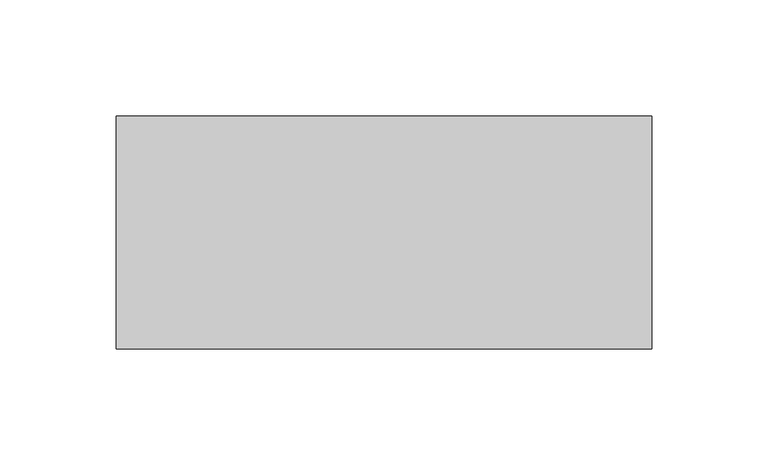
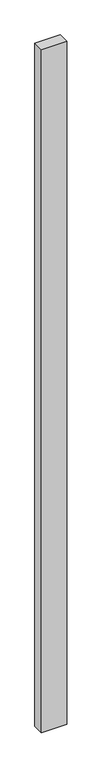
"""IFC4 building model written with IfcOpenShell, lengths in millimetres: proxy geometry."""

import ifcopenshell
import ifcopenshell.guid

model = None  # the IFC model being written
_history = None  # IfcOwnerHistory: only IFC2X3 demands one
_inside = {}  # id of a spatial element -> (the spatial element, [elements in it])
_under = {}  # id of a project, library or spatial element -> (it, [spatial elements below it])
_declared = {}  # id of a project -> (the project, [libraries it declares])
_typed = {}  # id of a type object -> (the type object, [elements of that type])
_made_of = {}  # id of a material, layer set ... -> (it, [elements and type objects made of it])


def new_model(schema):
    """Start an empty IFC model of exactly this schema.

    Asked for "IFC4X3", IfcOpenShell would pick the latest addendum, in which some entities
    have other attributes; the version numbers below select the first issue.
    IFC2X3 requires an IfcOwnerHistory on every rooted entity: one is made here for all.
    """
    global model, _history
    if schema == "IFC4X3":
        model = ifcopenshell.file(schema_version=(4, 3, 0, 0))
    else:
        model = ifcopenshell.file(schema=schema)
    _inside.clear()
    _under.clear()
    _declared.clear()
    _typed.clear()
    _made_of.clear()
    _history = None
    if model.schema == "IFC2X3":
        org = make("IfcOrganization", Name="unknown")
        user = make(
            "IfcPersonAndOrganization",
            ThePerson=make("IfcPerson", FamilyName="unknown"),
            TheOrganization=org,
        )
        app = make(
            "IfcApplication",
            ApplicationDeveloper=org,
            Version="unknown",
            ApplicationFullName="unknown",
            ApplicationIdentifier="unknown",
        )
        _history = make(
            "IfcOwnerHistory",
            OwningUser=user,
            OwningApplication=app,
            ChangeAction="ADDED",
            CreationDate=0,
        )
    return model


def make(cls, **values):
    """One entity of the class cls with the attributes given. An attribute that is None is left unset."""
    return model.create_entity(
        cls, **{name: value for name, value in values.items() if value is not None}
    )


def rooted(cls, **values):
    """An entity with a GlobalId (a new one), such as an element, a storey or a relation."""
    return make(cls, GlobalId=ifcopenshell.guid.new(), OwnerHistory=_history, **values)


def si_unit(unit_type, name, prefix=None):
    """IfcSIUnit, for example si_unit("LENGTHUNIT", "METRE", prefix="MILLI")."""
    return make("IfcSIUnit", UnitType=unit_type, Prefix=prefix, Name=name)


def assignment(units):
    """IfcUnitAssignment: the units of a project."""
    return None if units is None else make("IfcUnitAssignment", Units=units)


def point(xyz):
    """IfcCartesianPoint."""
    return None if xyz is None else make("IfcCartesianPoint", Coordinates=xyz)


def direction(xyz):
    """IfcDirection."""
    return None if xyz is None else make("IfcDirection", DirectionRatios=xyz)


def frame(location, z_axis=None, x_axis=None):
    """IfcAxis2Placement3D, a coordinate frame: its origin and axes. An axis left out is left unset."""
    return make(
        "IfcAxis2Placement3D",
        Location=point(location),
        Axis=direction(z_axis),
        RefDirection=direction(x_axis),
    )


def origin():
    """The frame at (0, 0, 0) with its axes left unset."""
    return frame((0.0, 0.0, 0.0))


def place(relative_to, where):
    """IfcLocalPlacement: puts the frame where relative to a parent placement (None: the world)."""
    return make(
        "IfcLocalPlacement", PlacementRelTo=relative_to, RelativePlacement=where
    )


def context(
    kind, dimensions, precision=None, world=None, true_north=None, identifier=None
):
    """IfcGeometricRepresentationContext, for example the 3D "Model" context."""
    return make(
        "IfcGeometricRepresentationContext",
        ContextIdentifier=identifier,
        ContextType=kind,
        CoordinateSpaceDimension=dimensions,
        Precision=precision,
        WorldCoordinateSystem=world,
        TrueNorth=true_north,
    )


def project(units=None, contexts=None):
    """IfcProject with its units and contexts."""
    return rooted(
        "IfcProject",
        Name="project",
        RepresentationContexts=contexts,
        UnitsInContext=assignment(units),
    )


def spatial(cls, under=None, at=None, **own):
    """A site, building, storey or space (cls), placed at a placement, below another one or the project."""
    s = rooted(cls, ObjectPlacement=at, **own)
    if under is not None:
        _under.setdefault(under.id(), (under, []))[1].append(s)
    return s


def polyline(points):
    """IfcPolyline through the points."""
    return make("IfcPolyline", Points=[point(p) for p in points])


def outline(outer, holes=None, kind="AREA"):
    """IfcArbitraryClosedProfileDef: a profile drawn as a closed curve; with holes, ...WithVoids."""
    if holes is None:
        return make("IfcArbitraryClosedProfileDef", ProfileType=kind, OuterCurve=outer)
    return make(
        "IfcArbitraryProfileDefWithVoids",
        ProfileType=kind,
        OuterCurve=outer,
        InnerCurves=holes,
    )


def extrude(swept, where, along, depth):
    """IfcExtrudedAreaSolid: the profile swept, set in the frame where, extruded along a direction by depth."""
    return make(
        "IfcExtrudedAreaSolid",
        SweptArea=swept,
        Position=where,
        ExtrudedDirection=direction(along),
        Depth=depth,
    )


def shape(context_of_items, identifier, shape_type, items):
    """IfcShapeRepresentation: the items that make up one representation, for example the "Body"."""
    return make(
        "IfcShapeRepresentation",
        ContextOfItems=context_of_items,
        RepresentationIdentifier=identifier,
        RepresentationType=shape_type,
        Items=items,
    )


def source(mapping_origin, context_of_items, identifier, shape_type, items):
    """IfcRepresentationMap: a shape defined once, which mapped items show again and again."""
    return make(
        "IfcRepresentationMap",
        MappingOrigin=mapping_origin,
        MappedRepresentation=shape(context_of_items, identifier, shape_type, items),
    )


def transform(
    local_origin,
    x_axis=None,
    y_axis=None,
    z_axis=None,
    scale=None,
    scale2=None,
    scale3=None,
    uniform=True,
):
    """IfcCartesianTransformationOperator3D, or its non-uniform kind. x_axis, y_axis, z_axis: its Axis1, 2, 3."""
    if uniform:
        return make(
            "IfcCartesianTransformationOperator3D",
            Axis1=direction(x_axis),
            Axis2=direction(y_axis),
            LocalOrigin=point(local_origin),
            Scale=scale,
            Axis3=direction(z_axis),
        )
    return make(
        "IfcCartesianTransformationOperator3DnonUniform",
        Axis1=direction(x_axis),
        Axis2=direction(y_axis),
        LocalOrigin=point(local_origin),
        Scale=scale,
        Axis3=direction(z_axis),
        Scale2=scale2,
        Scale3=scale3,
    )


def mapped(mapping_source, mapping_target):
    """IfcMappedItem: shows the shape of a source again, moved by a transform."""
    return make(
        "IfcMappedItem", MappingSource=mapping_source, MappingTarget=mapping_target
    )


def made_of(thing, what):
    """Note that an element or type object is made of a material, layer set ...; save() writes the relation."""
    if what is not None:
        _made_of.setdefault(what.id(), (what, []))[1].append(thing)
    return thing


def element(
    cls,
    number,
    at=None,
    inside=None,
    cuts=None,
    type_object=None,
    material=None,
    context=None,
    identifier="Body",
    shape_type=None,
    held_by="IfcProductDefinitionShape",
    body=None,
    shapes=None,
    **own,
):
    """One element of the class cls, such as IfcWall. Its Tag is "e" and its number.

    at: its placement. inside: the storey or other place that contains it. cuts: it is an
    opening in that element (IfcRelVoidsElement). A single representation is given by context,
    identifier, shape_type and body (its items); several are given by shapes. held_by: the class
    of the entity that holds the representations. save() writes the other relations.
    """
    e = rooted(cls, Tag="e%d" % number, ObjectPlacement=at, **own)
    if body is not None:
        shapes = [shape(context, identifier, shape_type, body)]
    if shapes is not None:
        e.Representation = make(held_by, Representations=shapes)
    if inside is not None:
        _inside.setdefault(inside.id(), (inside, []))[1].append(e)
    if cuts is not None:
        rooted(
            "IfcRelVoidsElement", RelatingBuildingElement=cuts, RelatedOpeningElement=e
        )
    if type_object is not None:
        _typed.setdefault(type_object.id(), (type_object, []))[1].append(e)
    return made_of(e, material)


def aggregate(whole, parts):
    """IfcRelAggregates: a whole, such as a stair, and the parts it consists of."""
    return rooted("IfcRelAggregates", RelatingObject=whole, RelatedObjects=parts)


def save(model, path):
    """Write the relations noted so far, then the file.

    IfcRelAggregates (storeys below a building ...), IfcRelContainedInSpatialStructure (elements
    in a storey), IfcRelDefinesByType, IfcRelAssociatesMaterial and IfcRelDeclares: one each for
    every whole, place, type object, material and project.
    """
    for whole, parts in _under.values():
        aggregate(whole, parts)
    for where, things in _inside.values():
        rooted(
            "IfcRelContainedInSpatialStructure",
            RelatedElements=things,
            RelatingStructure=where,
        )
    for kind, things in _typed.values():
        rooted("IfcRelDefinesByType", RelatedObjects=things, RelatingType=kind)
    for what, things in _made_of.values():
        rooted("IfcRelAssociatesMaterial", RelatedObjects=things, RelatingMaterial=what)
    for by, libraries in _declared.values():
        rooted("IfcRelDeclares", RelatingContext=by, RelatedDefinitions=libraries)
    model.write(path)


def generic_models_1958d06c(model_context):
    return source(origin(), model_context, "Body", "SweptSolid", [
        extrude(outline(polyline([(230.0, 100.0), (230.0, 0.0), (0.0, 0.0), (0.0, 100.0), (230.0, 100.0)])), frame((0.0, 0.0, -6550.0), z_axis=(0.0, 0.0, 1.0), x_axis=(1.0, 0.0, 0.0)), (0.0, 0.0, 1.0), 6550.0),
    ])


if __name__ == "__main__":
    model = new_model("IFC4")
    model_context = context("Model", 3, world=origin())
    ifc_project = project(units=[si_unit("LENGTHUNIT", "METRE", prefix="MILLI")], contexts=[model_context])
    site = spatial("IfcSite", under=ifc_project)
    building = spatial("IfcBuilding", under=site)
    placement = place(None, origin())
    generic_models_shape = generic_models_1958d06c(model_context)
    element("IfcBuildingElementProxy", 1, Name="Generic Models", at=placement, inside=building, context=model_context, shape_type="MappedRepresentation", body=[
        mapped(generic_models_shape, transform((0.0, 0.0, 0.0), x_axis=(1.0, 0.0, 0.0), y_axis=(0.0, 1.0, 0.0), z_axis=(0.0, 0.0, 1.0))),
    ])
    save(model, "model.ifc")
